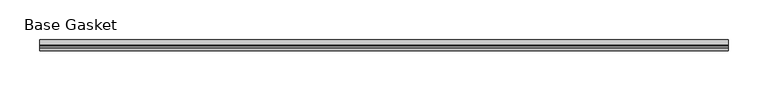
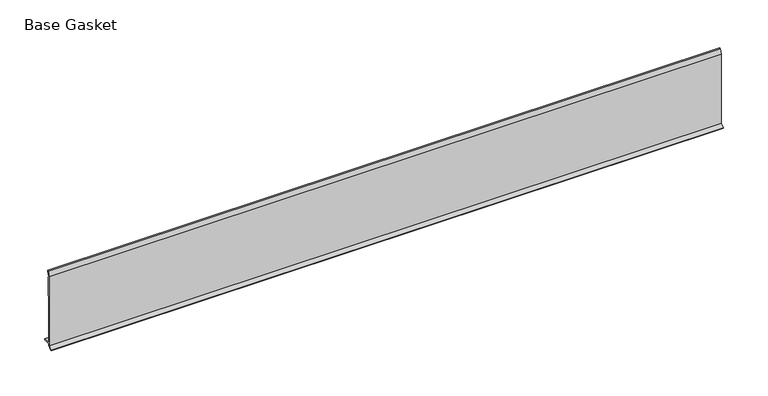
"""IFC4 building model written with IfcOpenShell, lengths in millimetres: furniture geometry, Base Gasket."""

from ifc_helpers import new_model, si_unit, frame, origin, place, context, project, spatial, polyline, outline, extrude, source, transform, mapped, element, save


def base_gasket_d93d2645(model_context):
    return source(origin(), model_context, "Body", "SweptSolid", [
        extrude(outline(polyline([(-3.7283812, 98.4568417), (-1.1891543, 104.587663), (-0.6755308, 105.2002997), (-0.6755308, 104.4162708), (-2.2043812, 98.4568417), (-2.2043812, 96.8693477), (-1.4106313, 96.8693477), (-1.4106313, 71.4693447), (-2.2043812, 71.4693447), (-2.2043812, 7.9398773), (6.2405171, 7.9398773), (6.2405171, 6.3818476), (-2.1334222, 6.3818476), (-2.2043812, 4.3498477), (-6.8281054, 0.3520979), (-7.8482342, 0.0), (-7.4222115, 0.6560174), (-3.7283812, 4.3498477), (-3.7283812, 98.4568417)])), frame((-1527.8982117, 0.0, 0.0), z_axis=(1.0, 0.0, 0.0), x_axis=(0.0, 1.0, 0.0)), (0.0, 0.0, 1.0), 866.1590981),
    ])


if __name__ == "__main__":
    model = new_model("IFC4")
    model_context = context("Model", 3, world=origin())
    ifc_project = project(units=[si_unit("LENGTHUNIT", "METRE", prefix="MILLI")], contexts=[model_context])
    site = spatial("IfcSite", under=ifc_project)
    building = spatial("IfcBuilding", under=site)
    placement = place(None, origin())
    base_gasket_shape = base_gasket_d93d2645(model_context)
    element("IfcFurniture", 1, ObjectType="Base Gasket", at=placement, inside=building, context=model_context, shape_type="MappedRepresentation", body=[
        mapped(base_gasket_shape, transform((0.0, 0.0, 0.0), x_axis=(1.0, 0.0, 0.0), y_axis=(0.0, 1.0, 0.0), z_axis=(0.0, 0.0, 1.0))),
    ])
    save(model, "model.ifc")
